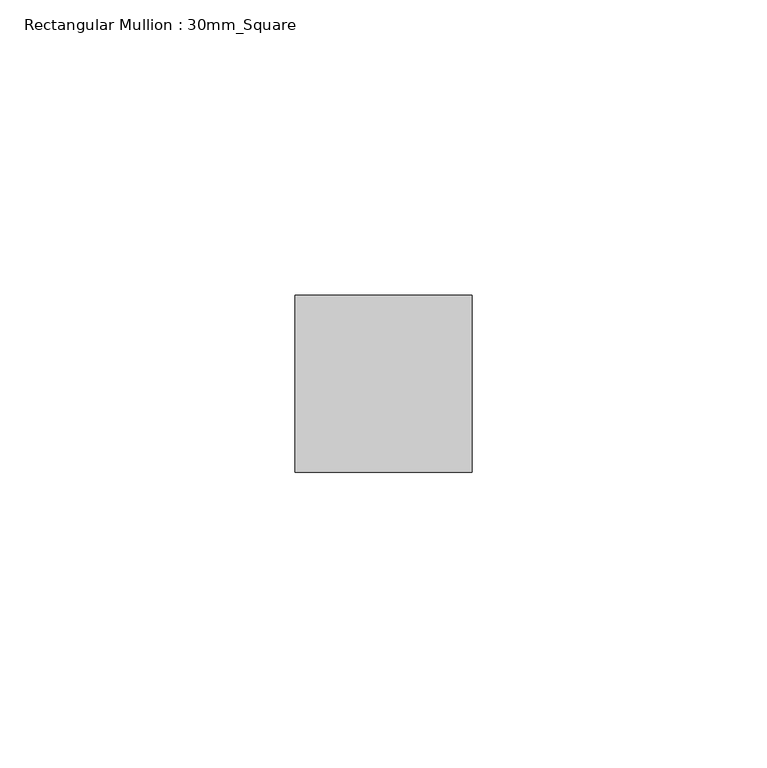
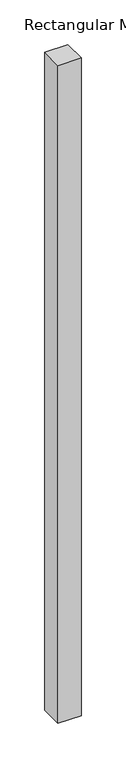
"""IFC4 building model written with IfcOpenShell, lengths in millimetres: member geometry, Rectangular Mullion : 30mm_Square."""

from ifc_helpers import new_model, si_unit, frame, origin, place, context, project, spatial, polyline, outline, extrude, source, transform, mapped, element, save


def rectangular_mullion_30mm_square_002d80ed(model_context):
    return source(origin(), model_context, "Body", "SweptSolid", [
        extrude(outline(polyline([(0.0, 15.0), (0.0, -15.0), (-30.0, -15.0), (-30.0, 15.0), (0.0, 15.0)])), frame((0.0, 0.0, -900.0), z_axis=(0.0, 0.0, 1.0), x_axis=(1.0, 0.0, 0.0)), (0.0, 0.0, 1.0), 900.0),
    ])


if __name__ == "__main__":
    model = new_model("IFC4")
    model_context = context("Model", 3, world=origin())
    ifc_project = project(units=[si_unit("LENGTHUNIT", "METRE", prefix="MILLI")], contexts=[model_context])
    site = spatial("IfcSite", under=ifc_project)
    building = spatial("IfcBuilding", under=site)
    placement = place(None, origin())
    rectangular_mullion_30mm_square_shape = rectangular_mullion_30mm_square_002d80ed(model_context)
    element("IfcMember", 1, ObjectType="Rectangular Mullion : 30mm_Square", at=placement, inside=building, context=model_context, shape_type="MappedRepresentation", body=[
        mapped(rectangular_mullion_30mm_square_shape, transform((0.0, 0.0, 0.0), x_axis=(1.0, 0.0, 0.0), y_axis=(0.0, 1.0, 0.0), z_axis=(0.0, 0.0, 1.0))),
    ])
    save(model, "model.ifc")
